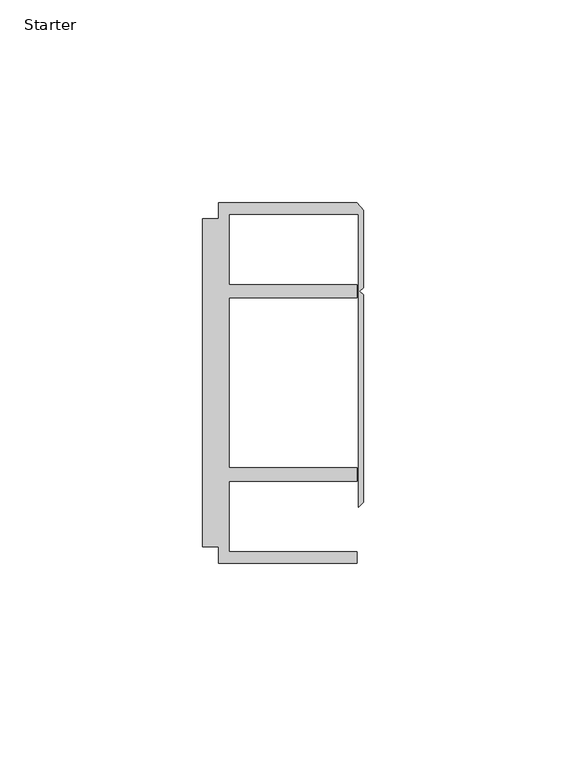
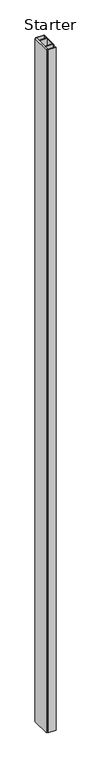
"""IFC4 building model written with IfcOpenShell, lengths in millimetres: furniture geometry, Starter."""

import ifcopenshell
import ifcopenshell.guid

model = None  # the IFC model being written
_history = None  # IfcOwnerHistory: only IFC2X3 demands one
_inside = {}  # id of a spatial element -> (the spatial element, [elements in it])
_under = {}  # id of a project, library or spatial element -> (it, [spatial elements below it])
_declared = {}  # id of a project -> (the project, [libraries it declares])
_typed = {}  # id of a type object -> (the type object, [elements of that type])
_made_of = {}  # id of a material, layer set ... -> (it, [elements and type objects made of it])


def new_model(schema):
    """Start an empty IFC model of exactly this schema.

    Asked for "IFC4X3", IfcOpenShell would pick the latest addendum, in which some entities
    have other attributes; the version numbers below select the first issue.
    IFC2X3 requires an IfcOwnerHistory on every rooted entity: one is made here for all.
    """
    global model, _history
    if schema == "IFC4X3":
        model = ifcopenshell.file(schema_version=(4, 3, 0, 0))
    else:
        model = ifcopenshell.file(schema=schema)
    _inside.clear()
    _under.clear()
    _declared.clear()
    _typed.clear()
    _made_of.clear()
    _history = None
    if model.schema == "IFC2X3":
        org = make("IfcOrganization", Name="unknown")
        user = make(
            "IfcPersonAndOrganization",
            ThePerson=make("IfcPerson", FamilyName="unknown"),
            TheOrganization=org,
        )
        app = make(
            "IfcApplication",
            ApplicationDeveloper=org,
            Version="unknown",
            ApplicationFullName="unknown",
            ApplicationIdentifier="unknown",
        )
        _history = make(
            "IfcOwnerHistory",
            OwningUser=user,
            OwningApplication=app,
            ChangeAction="ADDED",
            CreationDate=0,
        )
    return model


def make(cls, **values):
    """One entity of the class cls with the attributes given. An attribute that is None is left unset."""
    return model.create_entity(
        cls, **{name: value for name, value in values.items() if value is not None}
    )


def rooted(cls, **values):
    """An entity with a GlobalId (a new one), such as an element, a storey or a relation."""
    return make(cls, GlobalId=ifcopenshell.guid.new(), OwnerHistory=_history, **values)


def si_unit(unit_type, name, prefix=None):
    """IfcSIUnit, for example si_unit("LENGTHUNIT", "METRE", prefix="MILLI")."""
    return make("IfcSIUnit", UnitType=unit_type, Prefix=prefix, Name=name)


def assignment(units):
    """IfcUnitAssignment: the units of a project."""
    return None if units is None else make("IfcUnitAssignment", Units=units)


def point(xyz):
    """IfcCartesianPoint."""
    return None if xyz is None else make("IfcCartesianPoint", Coordinates=xyz)


def direction(xyz):
    """IfcDirection."""
    return None if xyz is None else make("IfcDirection", DirectionRatios=xyz)


def frame(location, z_axis=None, x_axis=None):
    """IfcAxis2Placement3D, a coordinate frame: its origin and axes. An axis left out is left unset."""
    return make(
        "IfcAxis2Placement3D",
        Location=point(location),
        Axis=direction(z_axis),
        RefDirection=direction(x_axis),
    )


def origin():
    """The frame at (0, 0, 0) with its axes left unset."""
    return frame((0.0, 0.0, 0.0))


def origin_with_axes():
    """The frame at (0, 0, 0) with the z axis (0, 0, 1) and the x axis (1, 0, 0) written out."""
    return frame((0.0, 0.0, 0.0), z_axis=(0.0, 0.0, 1.0), x_axis=(1.0, 0.0, 0.0))


def place(relative_to, where):
    """IfcLocalPlacement: puts the frame where relative to a parent placement (None: the world)."""
    return make(
        "IfcLocalPlacement", PlacementRelTo=relative_to, RelativePlacement=where
    )


def context(
    kind, dimensions, precision=None, world=None, true_north=None, identifier=None
):
    """IfcGeometricRepresentationContext, for example the 3D "Model" context."""
    return make(
        "IfcGeometricRepresentationContext",
        ContextIdentifier=identifier,
        ContextType=kind,
        CoordinateSpaceDimension=dimensions,
        Precision=precision,
        WorldCoordinateSystem=world,
        TrueNorth=true_north,
    )


def project(units=None, contexts=None):
    """IfcProject with its units and contexts."""
    return rooted(
        "IfcProject",
        Name="project",
        RepresentationContexts=contexts,
        UnitsInContext=assignment(units),
    )


def spatial(cls, under=None, at=None, **own):
    """A site, building, storey or space (cls), placed at a placement, below another one or the project."""
    s = rooted(cls, ObjectPlacement=at, **own)
    if under is not None:
        _under.setdefault(under.id(), (under, []))[1].append(s)
    return s


def polyline(points):
    """IfcPolyline through the points."""
    return make("IfcPolyline", Points=[point(p) for p in points])


def outline(outer, holes=None, kind="AREA"):
    """IfcArbitraryClosedProfileDef: a profile drawn as a closed curve; with holes, ...WithVoids."""
    if holes is None:
        return make("IfcArbitraryClosedProfileDef", ProfileType=kind, OuterCurve=outer)
    return make(
        "IfcArbitraryProfileDefWithVoids",
        ProfileType=kind,
        OuterCurve=outer,
        InnerCurves=holes,
    )


def extrude(swept, where, along, depth):
    """IfcExtrudedAreaSolid: the profile swept, set in the frame where, extruded along a direction by depth."""
    return make(
        "IfcExtrudedAreaSolid",
        SweptArea=swept,
        Position=where,
        ExtrudedDirection=direction(along),
        Depth=depth,
    )


def shape(context_of_items, identifier, shape_type, items):
    """IfcShapeRepresentation: the items that make up one representation, for example the "Body"."""
    return make(
        "IfcShapeRepresentation",
        ContextOfItems=context_of_items,
        RepresentationIdentifier=identifier,
        RepresentationType=shape_type,
        Items=items,
    )


def source(mapping_origin, context_of_items, identifier, shape_type, items):
    """IfcRepresentationMap: a shape defined once, which mapped items show again and again."""
    return make(
        "IfcRepresentationMap",
        MappingOrigin=mapping_origin,
        MappedRepresentation=shape(context_of_items, identifier, shape_type, items),
    )


def transform(
    local_origin,
    x_axis=None,
    y_axis=None,
    z_axis=None,
    scale=None,
    scale2=None,
    scale3=None,
    uniform=True,
):
    """IfcCartesianTransformationOperator3D, or its non-uniform kind. x_axis, y_axis, z_axis: its Axis1, 2, 3."""
    if uniform:
        return make(
            "IfcCartesianTransformationOperator3D",
            Axis1=direction(x_axis),
            Axis2=direction(y_axis),
            LocalOrigin=point(local_origin),
            Scale=scale,
            Axis3=direction(z_axis),
        )
    return make(
        "IfcCartesianTransformationOperator3DnonUniform",
        Axis1=direction(x_axis),
        Axis2=direction(y_axis),
        LocalOrigin=point(local_origin),
        Scale=scale,
        Axis3=direction(z_axis),
        Scale2=scale2,
        Scale3=scale3,
    )


def mapped(mapping_source, mapping_target):
    """IfcMappedItem: shows the shape of a source again, moved by a transform."""
    return make(
        "IfcMappedItem", MappingSource=mapping_source, MappingTarget=mapping_target
    )


def made_of(thing, what):
    """Note that an element or type object is made of a material, layer set ...; save() writes the relation."""
    if what is not None:
        _made_of.setdefault(what.id(), (what, []))[1].append(thing)
    return thing


def element(
    cls,
    number,
    at=None,
    inside=None,
    cuts=None,
    type_object=None,
    material=None,
    context=None,
    identifier="Body",
    shape_type=None,
    held_by="IfcProductDefinitionShape",
    body=None,
    shapes=None,
    **own,
):
    """One element of the class cls, such as IfcWall. Its Tag is "e" and its number.

    at: its placement. inside: the storey or other place that contains it. cuts: it is an
    opening in that element (IfcRelVoidsElement). A single representation is given by context,
    identifier, shape_type and body (its items); several are given by shapes. held_by: the class
    of the entity that holds the representations. save() writes the other relations.
    """
    e = rooted(cls, Tag="e%d" % number, ObjectPlacement=at, **own)
    if body is not None:
        shapes = [shape(context, identifier, shape_type, body)]
    if shapes is not None:
        e.Representation = make(held_by, Representations=shapes)
    if inside is not None:
        _inside.setdefault(inside.id(), (inside, []))[1].append(e)
    if cuts is not None:
        rooted(
            "IfcRelVoidsElement", RelatingBuildingElement=cuts, RelatedOpeningElement=e
        )
    if type_object is not None:
        _typed.setdefault(type_object.id(), (type_object, []))[1].append(e)
    return made_of(e, material)


def aggregate(whole, parts):
    """IfcRelAggregates: a whole, such as a stair, and the parts it consists of."""
    return rooted("IfcRelAggregates", RelatingObject=whole, RelatedObjects=parts)


def save(model, path):
    """Write the relations noted so far, then the file.

    IfcRelAggregates (storeys below a building ...), IfcRelContainedInSpatialStructure (elements
    in a storey), IfcRelDefinesByType, IfcRelAssociatesMaterial and IfcRelDeclares: one each for
    every whole, place, type object, material and project.
    """
    for whole, parts in _under.values():
        aggregate(whole, parts)
    for where, things in _inside.values():
        rooted(
            "IfcRelContainedInSpatialStructure",
            RelatedElements=things,
            RelatingStructure=where,
        )
    for kind, things in _typed.values():
        rooted("IfcRelDefinesByType", RelatedObjects=things, RelatingType=kind)
    for what, things in _made_of.values():
        rooted("IfcRelAssociatesMaterial", RelatedObjects=things, RelatingMaterial=what)
    for by, libraries in _declared.values():
        rooted("IfcRelDeclares", RelatingContext=by, RelatedDefinitions=libraries)
    model.write(path)


def starter_3c43b208(model_context):
    return source(origin(), model_context, "Body", "SweptSolid", [
        extrude(outline(polyline([(33.9771533, 59.951805), (68.0771531, 59.951805), (69.6646531, 58.0797005), (69.6646531, 39.033865), (68.7563205, 38.1255324), (69.6646531, 37.2171998), (69.6646531, -13.9690637), (68.5195633, -15.1141535), (68.5195633, 57.1518064), (36.5771534, 57.1518064), (36.5771534, 39.7518058), (68.0771531, 39.7518058), (68.0771531, 36.4518057), (36.5771534, 36.4518057), (36.5771534, -5.4481956), (68.0771531, -5.4481956), (68.0771531, -8.7481957), (36.5771534, -8.7481957), (36.5771534, -26.1481963), (68.0771531, -26.1481963), (68.0771531, -28.948195), (33.9771533, -28.948195), (33.9771533, -24.9481962), (29.9771531, -24.9481962), (29.9771531, 55.9518063), (33.9771533, 55.9518063), (33.9771533, 59.951805)])), origin_with_axes(), (0.0, 0.0, 1.0), 3048.0),
    ])


if __name__ == "__main__":
    model = new_model("IFC4")
    model_context = context("Model", 3, world=origin())
    ifc_project = project(units=[si_unit("LENGTHUNIT", "METRE", prefix="MILLI")], contexts=[model_context])
    site = spatial("IfcSite", under=ifc_project)
    building = spatial("IfcBuilding", under=site)
    placement = place(None, origin())
    starter_shape = starter_3c43b208(model_context)
    element("IfcFurniture", 1, ObjectType="Starter", at=placement, inside=building, context=model_context, shape_type="MappedRepresentation", body=[
        mapped(starter_shape, transform((0.0, 0.0, 0.0), x_axis=(1.0, 0.0, 0.0), y_axis=(0.0, 1.0, 0.0), z_axis=(0.0, 0.0, 1.0))),
    ])
    save(model, "model.ifc")
